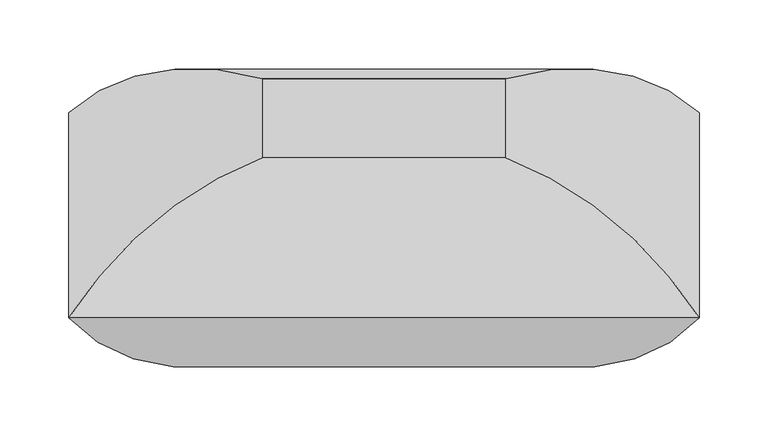
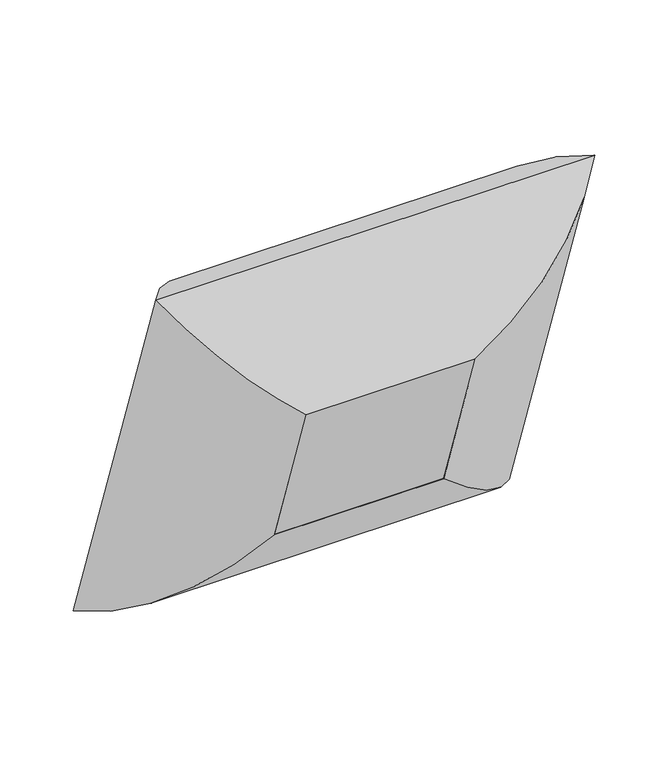
"""IFC4 building model written with IfcOpenShell, lengths in millimetres: furniture geometry."""

from ifc_helpers import new_model, si_unit, frame, origin, place, context, project, spatial, polyline, ellipse_curve, outline, extrude, source, transform, mapped, element, save
from ifc_brep_helpers import plane_surface, cylinder_surface, advanced_brep


def furniture_41281121(model_context):
    return source(origin(), model_context, "Body", "SolidModel", [
        advanced_brep(
        [(-88.10625, -176.632238, 705.5911293), (-228.2741804, -148.6376072, 863.4749557), (-228.2741804, 0.0, 431.8), (-88.10625, -119.2630596, 538.9789373), (-88.10625, -32.5352071, 755.2077161), (-88.10625, 24.8339713, 588.5955241), (228.2741804, 0.0, 431.8), (88.10625, -119.2630596, 538.9789373), (88.10625, 24.8339713, 588.5955241), (228.2741804, -148.6376072, 863.4749557), (88.10625, -176.632238, 705.5911293), (88.10625, -32.5352071, 755.2077161)],
        [
            (0, 1, ellipse_curve(frame((-83.326504, -10.8491478, 757.6196669), z_axis=(-0.7071067811865476, 0.23021144975504032, -0.6685825965441237), x_axis=(-0.7071067811865475, -0.23021144975504024, 0.6685825965441238)), 245.7274984, 173.7555804)),
            (1, 2),
            (2, 3, ellipse_curve(frame((-83.326504, 43.4077645, 600.0461521), z_axis=(-0.7071067811865474, -0.2302114497550404, 0.668582596544124), x_axis=(0.7071067811865479, -0.23021144975504013, 0.6685825965441233)), 245.7274984, 173.7555804)),
            (3, 0),
            (4, 0),
            (3, 5),
            (5, 4),
            (1, 4, ellipse_curve(frame((-78.9179464, -205.7447289, 685.8491549), z_axis=(-0.7071067811865476, 0.23021144975504032, -0.6685825965441237), x_axis=(-0.7071067811865475, -0.23021144975504024, 0.6685825965441238)), 263.8641638, 186.5801395)),
            (5, 2, ellipse_curve(frame((-78.9179464, -154.3583886, 536.6123863), z_axis=(-0.7071067811865474, -0.2302114497550404, 0.668582596544124), x_axis=(0.7071067811865479, -0.23021144975504013, 0.6685825965441233)), 263.8641638, 186.5801395)),
            (2, 6),
            (6, 7, ellipse_curve(frame((83.326504, 43.4077645, 600.0461521), z_axis=(-0.7071067811865477, 0.23021144975504015, -0.6685825965441237), x_axis=(-0.7071067811865474, -0.23021144975504035, 0.6685825965441241)), 245.7274984, 173.7555804)),
            (7, 3),
            (7, 8),
            (8, 5),
            (8, 6, ellipse_curve(frame((78.9179464, -154.3583886, 536.6123863), z_axis=(-0.7071067811865477, 0.23021144975504015, -0.6685825965441237), x_axis=(-0.7071067811865474, -0.23021144975504035, 0.6685825965441241)), 263.8641638, 186.5801395)),
            (6, 9),
            (9, 10, ellipse_curve(frame((83.326504, -10.8491478, 757.6196669), z_axis=(0.7071067811865474, 0.23021144975504015, -0.6685825965441238), x_axis=(-0.7071067811865474, 0.23021144975504026, -0.6685825965441238)), 245.7274984, 173.7555804)),
            (10, 7),
            (10, 11),
            (11, 8),
            (11, 9, ellipse_curve(frame((78.9179464, -205.7447289, 685.8491549), z_axis=(0.7071067811865474, 0.23021144975504015, -0.6685825965441238), x_axis=(-0.7071067811865474, 0.23021144975504026, -0.6685825965441238)), 263.8641638, 186.5801395)),
            (9, 1),
            (0, 10),
            (4, 11),
        ],
        [
            cylinder_surface(frame((-83.326504, -12.4052809, 762.1390055), z_axis=(0.0, -0.3255681544571503, 0.9455185755993191), x_axis=(0.0, -0.9455185755993191, -0.3255681544571503)), 173.7555804),
            plane_surface(frame((-88.10625, -176.632238, 705.5911293), z_axis=(1.0, 0.0, 0.0), x_axis=(0.0, 0.3255681544571502, -0.9455185755993191))),
            cylinder_surface(frame((-78.9179464, -208.736148, 694.5368666), z_axis=(0.0, -0.3255681544571503, 0.9455185755993191), x_axis=(0.0, -0.9455185755993191, -0.3255681544571503)), 186.5801395),
            cylinder_surface(frame((-88.10625, 43.4077645, 600.0461521), z_axis=(-1.0, 0.0, 0.0), x_axis=(0.0, -0.9455185755993188, -0.32556815445715065)), 173.7555804),
            plane_surface(frame((-88.10625, -119.2630596, 538.9789373), z_axis=(0.0, -0.32556815445715065, 0.945518575599319), x_axis=(1.0, 0.0, 0.0))),
            cylinder_surface(frame((-88.10625, -154.3583886, 536.6123863), z_axis=(-1.0, 0.0, 0.0), x_axis=(0.0, -0.9455185755993188, -0.32556815445715065)), 186.5801395),
            cylinder_surface(frame((83.326504, 44.9638976, 595.5268135), z_axis=(0.0, 0.3255681544571502, -0.9455185755993191), x_axis=(0.0, -0.9455185755993191, -0.3255681544571502)), 173.7555804),
            plane_surface(frame((88.10625, -119.2630596, 538.9789373), z_axis=(-1.0, 0.0, 0.0), x_axis=(0.0, -0.3255681544571502, 0.9455185755993191))),
            cylinder_surface(frame((78.9179464, -151.3669696, 527.9246746), z_axis=(0.0, 0.3255681544571502, -0.9455185755993191), x_axis=(0.0, -0.9455185755993191, -0.3255681544571502)), 186.5801395),
            cylinder_surface(frame((88.10625, -10.8491478, 757.6196669), z_axis=(1.0000000000000002, 0.0, 0.0), x_axis=(0.0, -0.9455185755993193, -0.3255681544571499)), 173.7555804),
            plane_surface(frame((88.10625, -176.632238, 705.5911293), z_axis=(0.0, 0.32556815445715, -0.9455185755993192), x_axis=(-1.0, 0.0, 0.0))),
            cylinder_surface(frame((88.10625, -205.7447289, 685.8491549), z_axis=(1.0000000000000002, 0.0, 0.0), x_axis=(0.0, -0.9455185755993193, -0.3255681544571499)), 186.5801395),
        ],
        [
            (0, [[1, 2, 3, 4]]),
            (1, [[5, -4, 6, 7]]),
            (2, [[8, -7, 9, -2]]),
            (3, [[-3, 10, 11, 12]]),
            (4, [[-6, -12, 13, 14]]),
            (5, [[-9, -14, 15, -10]]),
            (6, [[-11, 16, 17, 18]]),
            (7, [[-13, -18, 19, 20]]),
            (8, [[-15, -20, 21, -16]]),
            (9, [[-17, 22, -1, 23]]),
            (10, [[-19, -23, -5, 24]]),
            (11, [[-21, -24, -8, -22]]),
        ],
    ),
        extrude(outline(polyline([(0.0, -176.2125), (0.0, 0.0), (152.4, 0.0), (152.4, -176.2125), (0.0, -176.2125)])), frame((-88.10625, -119.2630596, 538.9789373), z_axis=(0.0, -0.3255681544571508, 0.9455185755993188), x_axis=(0.0, 0.9455185755993188, 0.3255681544571508)), (0.0, 0.0, 1.0), 176.2125),
    ])


if __name__ == "__main__":
    model = new_model("IFC4")
    model_context = context("Model", 3, world=origin())
    ifc_project = project(units=[si_unit("LENGTHUNIT", "METRE", prefix="MILLI")], contexts=[model_context])
    site = spatial("IfcSite", under=ifc_project)
    building = spatial("IfcBuilding", under=site)
    placement = place(None, origin())
    furniture_shape = furniture_41281121(model_context)
    element("IfcFurniture", 1, at=placement, inside=building, context=model_context, shape_type="MappedRepresentation", body=[
        mapped(furniture_shape, transform((0.0, 0.0, 0.0), x_axis=(1.0, 0.0, 0.0), y_axis=(0.0, 1.0, 0.0), z_axis=(0.0, 0.0, 1.0))),
    ])
    save(model, "model.ifc")
